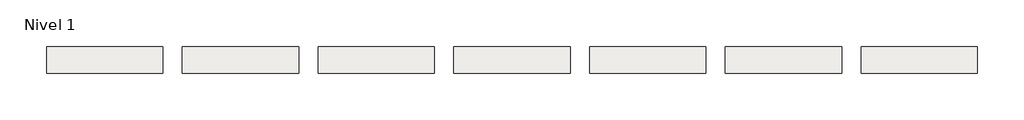
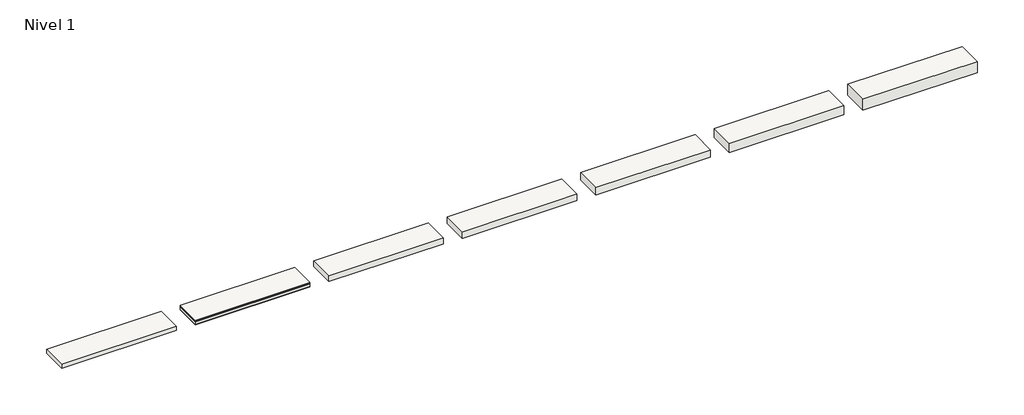
# One storey: 7 slabs.
"""IFC4 building model written with IfcOpenShell, lengths in millimetres."""

from ifc_helpers import new_model, si_unit, frame, origin, place, context, project, spatial, polyline, outline, extrude, element, save

model = new_model("IFC4")

# Units and contexts
model_context = context("Model", 3, world=origin())
ifc_project = project(units=[si_unit("LENGTHUNIT", "METRE", prefix="MILLI")], contexts=[model_context])

# Site, building, storey
site = spatial("IfcSite", under=ifc_project)
building = spatial("IfcBuilding", under=site)
storey = spatial("IfcBuildingStorey", under=building, Name="Nivel 1", Elevation=0.0)

# Slabs
placement = place(None, origin())
element("IfcSlab", 1, at=placement, inside=storey, context=model_context, shape_type="SweptSolid", body=[
    extrude(outline(polyline([(1184.4345966, -2901.6608764), (1184.4345966, -3451.6608764), (-1215.5654034, -3451.6608764), (-1215.5654034, -2901.6608764), (1184.4345966, -2901.6608764)])), frame((0.0, 0.0, -20.0), z_axis=(0.0, 0.0, 1.0), x_axis=(1.0, 0.0, 0.0)), (0.0, 0.0, 1.0), 20.0),
    extrude(outline(polyline([(1184.4345966, -2901.6608764), (1184.4345966, -3451.6608764), (-1215.5654034, -3451.6608764), (-1215.5654034, -2901.6608764), (1184.4345966, -2901.6608764)])), frame((0.0, 0.0, -32.5), z_axis=(0.0, 0.0, 1.0), x_axis=(1.0, 0.0, 0.0)), (0.0, 0.0, 1.0), 12.5),
    extrude(outline(polyline([(1184.4345966, -2901.6608764), (1184.4345966, -3451.6608764), (-1215.5654034, -3451.6608764), (-1215.5654034, -2901.6608764), (1184.4345966, -2901.6608764)])), frame((0.0, 0.0, -92.5), z_axis=(0.0, 0.0, 1.0), x_axis=(1.0, 0.0, 0.0)), (0.0, 0.0, 1.0), 60.0),
    extrude(outline(polyline([(1184.4345966, -2901.6608764), (1184.4345966, -3451.6608764), (-1215.5654034, -3451.6608764), (-1215.5654034, -2901.6608764), (1184.4345966, -2901.6608764)])), frame((0.0, 0.0, -102.5), z_axis=(0.0, 0.0, 1.0), x_axis=(1.0, 0.0, 0.0)), (0.0, 0.0, 1.0), 10.0),
])
element("IfcSlab", 2, at=placement, inside=storey, context=model_context, shape_type="SweptSolid", body=[
    extrude(outline(polyline([(-1615.5654034, -2901.6608764), (-1615.5654034, -3451.6608764), (-4015.5654034, -3451.6608764), (-4015.5654034, -2901.6608764), (-1615.5654034, -2901.6608764)])), frame((0.0, 0.0, -82.5), z_axis=(0.0, 0.0, 1.0), x_axis=(1.0, 0.0, 0.0)), (0.0, 0.0, 1.0), 82.5),
])
element("IfcSlab", 3, at=placement, inside=storey, context=model_context, shape_type="SweptSolid", body=[
    extrude(outline(polyline([(3984.4345966, -2901.6608764), (3984.4345966, -3451.6608764), (1584.4345966, -3451.6608764), (1584.4345966, -2901.6608764), (3984.4345966, -2901.6608764)])), frame((0.0, 0.0, -122.5), z_axis=(0.0, 0.0, 1.0), x_axis=(1.0, 0.0, 0.0)), (0.0, 0.0, 1.0), 122.5),
])
element("IfcSlab", 4, at=placement, inside=storey, context=model_context, shape_type="SweptSolid", body=[
    extrude(outline(polyline([(6784.4345966, -2901.6608764), (6784.4345966, -3451.6608764), (4384.4345966, -3451.6608764), (4384.4345966, -2901.6608764), (6784.4345966, -2901.6608764)])), frame((0.0, 0.0, -142.5), z_axis=(0.0, 0.0, 1.0), x_axis=(1.0, 0.0, 0.0)), (0.0, 0.0, 1.0), 142.5),
])
element("IfcSlab", 5, at=placement, inside=storey, context=model_context, shape_type="SweptSolid", body=[
    extrude(outline(polyline([(9584.4345966, -2901.6608764), (9584.4345966, -3451.6608764), (7184.4345966, -3451.6608764), (7184.4345966, -2901.6608764), (9584.4345966, -2901.6608764)])), frame((0.0, 0.0, -162.5), z_axis=(0.0, 0.0, 1.0), x_axis=(1.0, 0.0, 0.0)), (0.0, 0.0, 1.0), 162.5),
])
element("IfcSlab", 6, at=placement, inside=storey, context=model_context, shape_type="SweptSolid", body=[
    extrude(outline(polyline([(12384.4345966, -2901.6608764), (12384.4345966, -3451.6608764), (9984.4345966, -3451.6608764), (9984.4345966, -2901.6608764), (12384.4345966, -2901.6608764)])), frame((0.0, 0.0, -202.5), z_axis=(0.0, 0.0, 1.0), x_axis=(1.0, 0.0, 0.0)), (0.0, 0.0, 1.0), 202.5),
])
element("IfcSlab", 7, at=placement, inside=storey, context=model_context, shape_type="SweptSolid", body=[
    extrude(outline(polyline([(15184.4345966, -2901.6608764), (15184.4345966, -3451.6608764), (12784.4345966, -3451.6608764), (12784.4345966, -2901.6608764), (15184.4345966, -2901.6608764)])), frame((0.0, 0.0, -242.5), z_axis=(0.0, 0.0, 1.0), x_axis=(1.0, 0.0, 0.0)), (0.0, 0.0, 1.0), 242.5),
])

save(model, "model.ifc")
